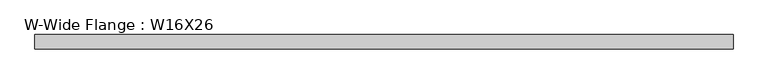
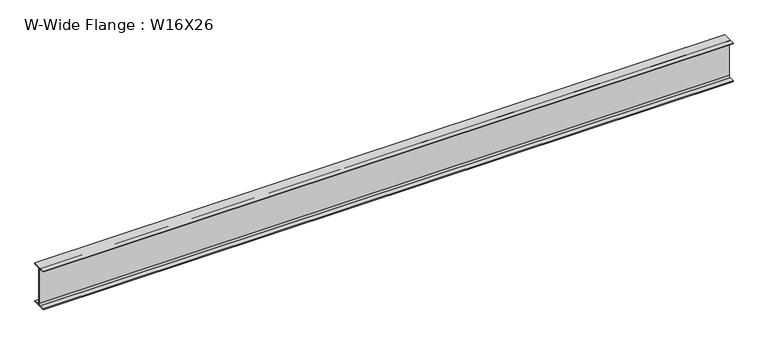
"""IFC4 building model written with IfcOpenShell, lengths in millimetres: beam geometry, W-Wide Flange : W16X26."""

import ifcopenshell
import ifcopenshell.guid

model = None  # the IFC model being written
_history = None  # IfcOwnerHistory: only IFC2X3 demands one
_inside = {}  # id of a spatial element -> (the spatial element, [elements in it])
_under = {}  # id of a project, library or spatial element -> (it, [spatial elements below it])
_declared = {}  # id of a project -> (the project, [libraries it declares])
_typed = {}  # id of a type object -> (the type object, [elements of that type])
_made_of = {}  # id of a material, layer set ... -> (it, [elements and type objects made of it])


def new_model(schema):
    """Start an empty IFC model of exactly this schema.

    Asked for "IFC4X3", IfcOpenShell would pick the latest addendum, in which some entities
    have other attributes; the version numbers below select the first issue.
    IFC2X3 requires an IfcOwnerHistory on every rooted entity: one is made here for all.
    """
    global model, _history
    if schema == "IFC4X3":
        model = ifcopenshell.file(schema_version=(4, 3, 0, 0))
    else:
        model = ifcopenshell.file(schema=schema)
    _inside.clear()
    _under.clear()
    _declared.clear()
    _typed.clear()
    _made_of.clear()
    _history = None
    if model.schema == "IFC2X3":
        org = make("IfcOrganization", Name="unknown")
        user = make(
            "IfcPersonAndOrganization",
            ThePerson=make("IfcPerson", FamilyName="unknown"),
            TheOrganization=org,
        )
        app = make(
            "IfcApplication",
            ApplicationDeveloper=org,
            Version="unknown",
            ApplicationFullName="unknown",
            ApplicationIdentifier="unknown",
        )
        _history = make(
            "IfcOwnerHistory",
            OwningUser=user,
            OwningApplication=app,
            ChangeAction="ADDED",
            CreationDate=0,
        )
    return model


def make(cls, **values):
    """One entity of the class cls with the attributes given. An attribute that is None is left unset."""
    return model.create_entity(
        cls, **{name: value for name, value in values.items() if value is not None}
    )


def rooted(cls, **values):
    """An entity with a GlobalId (a new one), such as an element, a storey or a relation."""
    return make(cls, GlobalId=ifcopenshell.guid.new(), OwnerHistory=_history, **values)


def si_unit(unit_type, name, prefix=None):
    """IfcSIUnit, for example si_unit("LENGTHUNIT", "METRE", prefix="MILLI")."""
    return make("IfcSIUnit", UnitType=unit_type, Prefix=prefix, Name=name)


def assignment(units):
    """IfcUnitAssignment: the units of a project."""
    return None if units is None else make("IfcUnitAssignment", Units=units)


def point(xyz):
    """IfcCartesianPoint."""
    return None if xyz is None else make("IfcCartesianPoint", Coordinates=xyz)


def direction(xyz):
    """IfcDirection."""
    return None if xyz is None else make("IfcDirection", DirectionRatios=xyz)


def frame(location, z_axis=None, x_axis=None):
    """IfcAxis2Placement3D, a coordinate frame: its origin and axes. An axis left out is left unset."""
    return make(
        "IfcAxis2Placement3D",
        Location=point(location),
        Axis=direction(z_axis),
        RefDirection=direction(x_axis),
    )


def frame_2d(location, x_axis=None):
    """IfcAxis2Placement2D, a coordinate frame in the plane: its origin and x axis."""
    return make(
        "IfcAxis2Placement2D", Location=point(location), RefDirection=direction(x_axis)
    )


def origin():
    """The frame at (0, 0, 0) with its axes left unset."""
    return frame((0.0, 0.0, 0.0))


def place(relative_to, where):
    """IfcLocalPlacement: puts the frame where relative to a parent placement (None: the world)."""
    return make(
        "IfcLocalPlacement", PlacementRelTo=relative_to, RelativePlacement=where
    )


def context(
    kind, dimensions, precision=None, world=None, true_north=None, identifier=None
):
    """IfcGeometricRepresentationContext, for example the 3D "Model" context."""
    return make(
        "IfcGeometricRepresentationContext",
        ContextIdentifier=identifier,
        ContextType=kind,
        CoordinateSpaceDimension=dimensions,
        Precision=precision,
        WorldCoordinateSystem=world,
        TrueNorth=true_north,
    )


def project(units=None, contexts=None):
    """IfcProject with its units and contexts."""
    return rooted(
        "IfcProject",
        Name="project",
        RepresentationContexts=contexts,
        UnitsInContext=assignment(units),
    )


def spatial(cls, under=None, at=None, **own):
    """A site, building, storey or space (cls), placed at a placement, below another one or the project."""
    s = rooted(cls, ObjectPlacement=at, **own)
    if under is not None:
        _under.setdefault(under.id(), (under, []))[1].append(s)
    return s


def polyline(points):
    """IfcPolyline through the points."""
    return make("IfcPolyline", Points=[point(p) for p in points])


def circle_curve(where, radius):
    """IfcCircle in the frame where."""
    return make("IfcCircle", Position=where, Radius=radius)


def trimmed(basis, trim1, trim2, sense, master):
    """IfcTrimmedCurve: the piece of a basis curve between two trims."""
    return make(
        "IfcTrimmedCurve",
        BasisCurve=basis,
        Trim1=trim1,
        Trim2=trim2,
        SenseAgreement=sense,
        MasterRepresentation=master,
    )


def segment(curve, same_sense, transition):
    """IfcCompositeCurveSegment."""
    return make(
        "IfcCompositeCurveSegment",
        Transition=transition,
        SameSense=same_sense,
        ParentCurve=curve,
    )


def composite_curve(segments, self_intersect=None):
    """IfcCompositeCurve: segments joined end to end."""
    return make("IfcCompositeCurve", Segments=segments, SelfIntersect=self_intersect)


def outline(outer, holes=None, kind="AREA"):
    """IfcArbitraryClosedProfileDef: a profile drawn as a closed curve; with holes, ...WithVoids."""
    if holes is None:
        return make("IfcArbitraryClosedProfileDef", ProfileType=kind, OuterCurve=outer)
    return make(
        "IfcArbitraryProfileDefWithVoids",
        ProfileType=kind,
        OuterCurve=outer,
        InnerCurves=holes,
    )


def extrude(swept, where, along, depth):
    """IfcExtrudedAreaSolid: the profile swept, set in the frame where, extruded along a direction by depth."""
    return make(
        "IfcExtrudedAreaSolid",
        SweptArea=swept,
        Position=where,
        ExtrudedDirection=direction(along),
        Depth=depth,
    )


def shape(context_of_items, identifier, shape_type, items):
    """IfcShapeRepresentation: the items that make up one representation, for example the "Body"."""
    return make(
        "IfcShapeRepresentation",
        ContextOfItems=context_of_items,
        RepresentationIdentifier=identifier,
        RepresentationType=shape_type,
        Items=items,
    )


def source(mapping_origin, context_of_items, identifier, shape_type, items):
    """IfcRepresentationMap: a shape defined once, which mapped items show again and again."""
    return make(
        "IfcRepresentationMap",
        MappingOrigin=mapping_origin,
        MappedRepresentation=shape(context_of_items, identifier, shape_type, items),
    )


def transform(
    local_origin,
    x_axis=None,
    y_axis=None,
    z_axis=None,
    scale=None,
    scale2=None,
    scale3=None,
    uniform=True,
):
    """IfcCartesianTransformationOperator3D, or its non-uniform kind. x_axis, y_axis, z_axis: its Axis1, 2, 3."""
    if uniform:
        return make(
            "IfcCartesianTransformationOperator3D",
            Axis1=direction(x_axis),
            Axis2=direction(y_axis),
            LocalOrigin=point(local_origin),
            Scale=scale,
            Axis3=direction(z_axis),
        )
    return make(
        "IfcCartesianTransformationOperator3DnonUniform",
        Axis1=direction(x_axis),
        Axis2=direction(y_axis),
        LocalOrigin=point(local_origin),
        Scale=scale,
        Axis3=direction(z_axis),
        Scale2=scale2,
        Scale3=scale3,
    )


def mapped(mapping_source, mapping_target):
    """IfcMappedItem: shows the shape of a source again, moved by a transform."""
    return make(
        "IfcMappedItem", MappingSource=mapping_source, MappingTarget=mapping_target
    )


def made_of(thing, what):
    """Note that an element or type object is made of a material, layer set ...; save() writes the relation."""
    if what is not None:
        _made_of.setdefault(what.id(), (what, []))[1].append(thing)
    return thing


def element(
    cls,
    number,
    at=None,
    inside=None,
    cuts=None,
    type_object=None,
    material=None,
    context=None,
    identifier="Body",
    shape_type=None,
    held_by="IfcProductDefinitionShape",
    body=None,
    shapes=None,
    **own,
):
    """One element of the class cls, such as IfcWall. Its Tag is "e" and its number.

    at: its placement. inside: the storey or other place that contains it. cuts: it is an
    opening in that element (IfcRelVoidsElement). A single representation is given by context,
    identifier, shape_type and body (its items); several are given by shapes. held_by: the class
    of the entity that holds the representations. save() writes the other relations.
    """
    e = rooted(cls, Tag="e%d" % number, ObjectPlacement=at, **own)
    if body is not None:
        shapes = [shape(context, identifier, shape_type, body)]
    if shapes is not None:
        e.Representation = make(held_by, Representations=shapes)
    if inside is not None:
        _inside.setdefault(inside.id(), (inside, []))[1].append(e)
    if cuts is not None:
        rooted(
            "IfcRelVoidsElement", RelatingBuildingElement=cuts, RelatedOpeningElement=e
        )
    if type_object is not None:
        _typed.setdefault(type_object.id(), (type_object, []))[1].append(e)
    return made_of(e, material)


def aggregate(whole, parts):
    """IfcRelAggregates: a whole, such as a stair, and the parts it consists of."""
    return rooted("IfcRelAggregates", RelatingObject=whole, RelatedObjects=parts)


def save(model, path):
    """Write the relations noted so far, then the file.

    IfcRelAggregates (storeys below a building ...), IfcRelContainedInSpatialStructure (elements
    in a storey), IfcRelDefinesByType, IfcRelAssociatesMaterial and IfcRelDeclares: one each for
    every whole, place, type object, material and project.
    """
    for whole, parts in _under.values():
        aggregate(whole, parts)
    for where, things in _inside.values():
        rooted(
            "IfcRelContainedInSpatialStructure",
            RelatedElements=things,
            RelatingStructure=where,
        )
    for kind, things in _typed.values():
        rooted("IfcRelDefinesByType", RelatedObjects=things, RelatingType=kind)
    for what, things in _made_of.values():
        rooted("IfcRelAssociatesMaterial", RelatedObjects=things, RelatingMaterial=what)
    for by, libraries in _declared.values():
        rooted("IfcRelDeclares", RelatingContext=by, RelatedDefinitions=libraries)
    model.write(path)


def w_wide_flange_w16x26_b121b3a7(model_context):
    return source(origin(), model_context, "Body", "SweptSolid", [
        extrude(outline(composite_curve([segment(polyline([(69.85, -190.5496094), (69.85, -199.2808594), (-69.85, -199.2808594), (-69.85, -190.5496094), (-21.43125, -190.5496094)]), True, "CONTINUOUS"), segment(trimmed(circle_curve(frame_2d((-21.43125, -172.2933594)), 18.25625), [point((-21.43125, -190.5496094))], [point((-3.175, -172.2933594))], True, "CARTESIAN"), True, "CONTINUOUS"), segment(polyline([(-3.175, -172.2933594), (-3.175, 172.2933594)]), True, "CONTINUOUS"), segment(trimmed(circle_curve(frame_2d((-21.43125, 172.2933594)), 18.25625), [point((-3.175, 172.2933594))], [point((-21.43125, 190.5496094))], True, "CARTESIAN"), True, "CONTINUOUS"), segment(polyline([(-21.43125, 190.5496094), (-69.85, 190.5496094), (-69.85, 199.2808594), (69.85, 199.2808594), (69.85, 190.5496094), (21.43125, 190.5496094)]), True, "CONTINUOUS"), segment(trimmed(circle_curve(frame_2d((21.43125, 172.2933594)), 18.25625), [point((21.43125, 190.5496094))], [point((3.175, 172.2933594))], True, "CARTESIAN"), True, "CONTINUOUS"), segment(polyline([(3.175, 172.2933594), (3.175, -172.2933594)]), True, "CONTINUOUS"), segment(trimmed(circle_curve(frame_2d((21.43125, -172.2933594)), 18.25625), [point((3.175, -172.2933594))], [point((21.43125, -190.5496094))], True, "CARTESIAN"), True, "CONTINUOUS"), segment(polyline([(21.43125, -190.5496094), (69.85, -190.5496094)]), True, "CONTINUOUS")], self_intersect=False)), frame((-3371.85, 0.0, 0.0), z_axis=(1.0, 0.0, 0.0), x_axis=(0.0, 1.0, 0.0)), (0.0, 0.0, 1.0), 6743.7),
    ])


if __name__ == "__main__":
    model = new_model("IFC4")
    model_context = context("Model", 3, world=origin())
    ifc_project = project(units=[si_unit("LENGTHUNIT", "METRE", prefix="MILLI")], contexts=[model_context])
    site = spatial("IfcSite", under=ifc_project)
    building = spatial("IfcBuilding", under=site)
    placement = place(None, origin())
    w_wide_flange_w16x26_shape = w_wide_flange_w16x26_b121b3a7(model_context)
    element("IfcBeam", 1, ObjectType="W-Wide Flange : W16X26", at=placement, inside=building, context=model_context, shape_type="MappedRepresentation", body=[
        mapped(w_wide_flange_w16x26_shape, transform((0.0, 0.0, 0.0), x_axis=(1.0, 0.0, 0.0), y_axis=(0.0, 1.0, 0.0), z_axis=(0.0, 0.0, 1.0))),
    ])
    save(model, "model.ifc")
